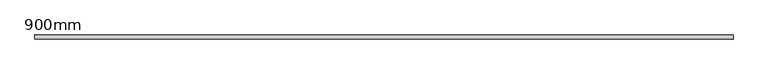
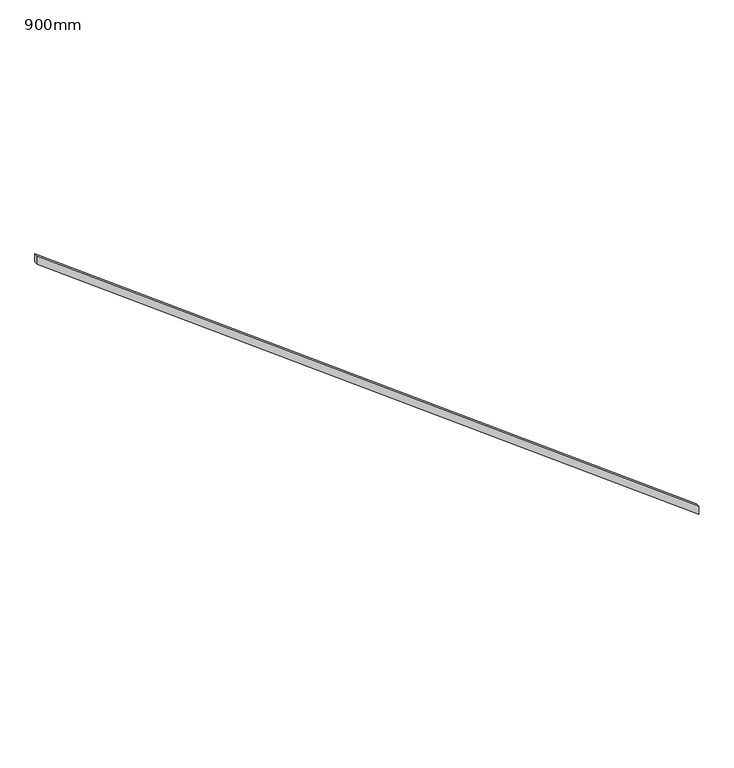
"""IFC4 building model written with IfcOpenShell, lengths in millimetres: railing geometry, 900mm."""

from ifc_helpers import new_model, si_unit, frame, origin, place, context, project, spatial, polyline, outline, extrude, source, transform, mapped, element, save


def railing_900mm_96c6f536(model_context):
    return source(origin(), model_context, "Body", "SweptSolid", [
        extrude(outline(polyline([(1242.25, 156897.861144), (1337.5, 156897.861144), (7150.0, 149147.861144), (7054.75, 149147.861144), (1242.25, 156897.861144)])), frame((0.0, 73330.0558522, 0.0), z_axis=(0.0, 1.0, 0.0), x_axis=(0.0, 0.0, 1.0)), (0.0, 0.0, 1.0), 50.8),
    ])


if __name__ == "__main__":
    model = new_model("IFC4")
    model_context = context("Model", 3, world=origin())
    ifc_project = project(units=[si_unit("LENGTHUNIT", "METRE", prefix="MILLI")], contexts=[model_context])
    site = spatial("IfcSite", under=ifc_project)
    building = spatial("IfcBuilding", under=site)
    placement = place(None, origin())
    railing_900mm_shape = railing_900mm_96c6f536(model_context)
    element("IfcRailing", 1, ObjectType="900mm", at=placement, inside=building, context=model_context, shape_type="MappedRepresentation", body=[
        mapped(railing_900mm_shape, transform((0.0, 0.0, 0.0), x_axis=(1.0, 0.0, 0.0), y_axis=(0.0, 1.0, 0.0), z_axis=(0.0, 0.0, 1.0))),
    ])
    save(model, "model.ifc")
